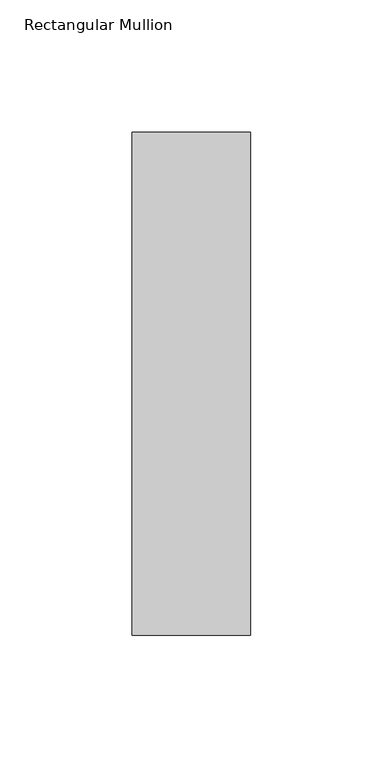
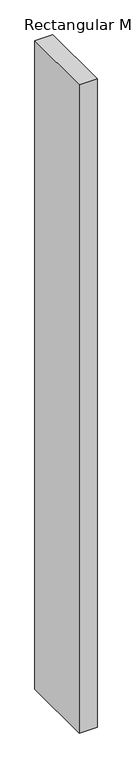
"""IFC4 building model written with IfcOpenShell, lengths in millimetres: member geometry, Rectangular Mullion."""

import ifcopenshell
import ifcopenshell.guid

model = None  # the IFC model being written
_history = None  # IfcOwnerHistory: only IFC2X3 demands one
_inside = {}  # id of a spatial element -> (the spatial element, [elements in it])
_under = {}  # id of a project, library or spatial element -> (it, [spatial elements below it])
_declared = {}  # id of a project -> (the project, [libraries it declares])
_typed = {}  # id of a type object -> (the type object, [elements of that type])
_made_of = {}  # id of a material, layer set ... -> (it, [elements and type objects made of it])


def new_model(schema):
    """Start an empty IFC model of exactly this schema.

    Asked for "IFC4X3", IfcOpenShell would pick the latest addendum, in which some entities
    have other attributes; the version numbers below select the first issue.
    IFC2X3 requires an IfcOwnerHistory on every rooted entity: one is made here for all.
    """
    global model, _history
    if schema == "IFC4X3":
        model = ifcopenshell.file(schema_version=(4, 3, 0, 0))
    else:
        model = ifcopenshell.file(schema=schema)
    _inside.clear()
    _under.clear()
    _declared.clear()
    _typed.clear()
    _made_of.clear()
    _history = None
    if model.schema == "IFC2X3":
        org = make("IfcOrganization", Name="unknown")
        user = make(
            "IfcPersonAndOrganization",
            ThePerson=make("IfcPerson", FamilyName="unknown"),
            TheOrganization=org,
        )
        app = make(
            "IfcApplication",
            ApplicationDeveloper=org,
            Version="unknown",
            ApplicationFullName="unknown",
            ApplicationIdentifier="unknown",
        )
        _history = make(
            "IfcOwnerHistory",
            OwningUser=user,
            OwningApplication=app,
            ChangeAction="ADDED",
            CreationDate=0,
        )
    return model


def make(cls, **values):
    """One entity of the class cls with the attributes given. An attribute that is None is left unset."""
    return model.create_entity(
        cls, **{name: value for name, value in values.items() if value is not None}
    )


def rooted(cls, **values):
    """An entity with a GlobalId (a new one), such as an element, a storey or a relation."""
    return make(cls, GlobalId=ifcopenshell.guid.new(), OwnerHistory=_history, **values)


def si_unit(unit_type, name, prefix=None):
    """IfcSIUnit, for example si_unit("LENGTHUNIT", "METRE", prefix="MILLI")."""
    return make("IfcSIUnit", UnitType=unit_type, Prefix=prefix, Name=name)


def assignment(units):
    """IfcUnitAssignment: the units of a project."""
    return None if units is None else make("IfcUnitAssignment", Units=units)


def point(xyz):
    """IfcCartesianPoint."""
    return None if xyz is None else make("IfcCartesianPoint", Coordinates=xyz)


def direction(xyz):
    """IfcDirection."""
    return None if xyz is None else make("IfcDirection", DirectionRatios=xyz)


def frame(location, z_axis=None, x_axis=None):
    """IfcAxis2Placement3D, a coordinate frame: its origin and axes. An axis left out is left unset."""
    return make(
        "IfcAxis2Placement3D",
        Location=point(location),
        Axis=direction(z_axis),
        RefDirection=direction(x_axis),
    )


def origin():
    """The frame at (0, 0, 0) with its axes left unset."""
    return frame((0.0, 0.0, 0.0))


def place(relative_to, where):
    """IfcLocalPlacement: puts the frame where relative to a parent placement (None: the world)."""
    return make(
        "IfcLocalPlacement", PlacementRelTo=relative_to, RelativePlacement=where
    )


def context(
    kind, dimensions, precision=None, world=None, true_north=None, identifier=None
):
    """IfcGeometricRepresentationContext, for example the 3D "Model" context."""
    return make(
        "IfcGeometricRepresentationContext",
        ContextIdentifier=identifier,
        ContextType=kind,
        CoordinateSpaceDimension=dimensions,
        Precision=precision,
        WorldCoordinateSystem=world,
        TrueNorth=true_north,
    )


def project(units=None, contexts=None):
    """IfcProject with its units and contexts."""
    return rooted(
        "IfcProject",
        Name="project",
        RepresentationContexts=contexts,
        UnitsInContext=assignment(units),
    )


def spatial(cls, under=None, at=None, **own):
    """A site, building, storey or space (cls), placed at a placement, below another one or the project."""
    s = rooted(cls, ObjectPlacement=at, **own)
    if under is not None:
        _under.setdefault(under.id(), (under, []))[1].append(s)
    return s


def polyline(points):
    """IfcPolyline through the points."""
    return make("IfcPolyline", Points=[point(p) for p in points])


def outline(outer, holes=None, kind="AREA"):
    """IfcArbitraryClosedProfileDef: a profile drawn as a closed curve; with holes, ...WithVoids."""
    if holes is None:
        return make("IfcArbitraryClosedProfileDef", ProfileType=kind, OuterCurve=outer)
    return make(
        "IfcArbitraryProfileDefWithVoids",
        ProfileType=kind,
        OuterCurve=outer,
        InnerCurves=holes,
    )


def extrude(swept, where, along, depth):
    """IfcExtrudedAreaSolid: the profile swept, set in the frame where, extruded along a direction by depth."""
    return make(
        "IfcExtrudedAreaSolid",
        SweptArea=swept,
        Position=where,
        ExtrudedDirection=direction(along),
        Depth=depth,
    )


def shape(context_of_items, identifier, shape_type, items):
    """IfcShapeRepresentation: the items that make up one representation, for example the "Body"."""
    return make(
        "IfcShapeRepresentation",
        ContextOfItems=context_of_items,
        RepresentationIdentifier=identifier,
        RepresentationType=shape_type,
        Items=items,
    )


def source(mapping_origin, context_of_items, identifier, shape_type, items):
    """IfcRepresentationMap: a shape defined once, which mapped items show again and again."""
    return make(
        "IfcRepresentationMap",
        MappingOrigin=mapping_origin,
        MappedRepresentation=shape(context_of_items, identifier, shape_type, items),
    )


def transform(
    local_origin,
    x_axis=None,
    y_axis=None,
    z_axis=None,
    scale=None,
    scale2=None,
    scale3=None,
    uniform=True,
):
    """IfcCartesianTransformationOperator3D, or its non-uniform kind. x_axis, y_axis, z_axis: its Axis1, 2, 3."""
    if uniform:
        return make(
            "IfcCartesianTransformationOperator3D",
            Axis1=direction(x_axis),
            Axis2=direction(y_axis),
            LocalOrigin=point(local_origin),
            Scale=scale,
            Axis3=direction(z_axis),
        )
    return make(
        "IfcCartesianTransformationOperator3DnonUniform",
        Axis1=direction(x_axis),
        Axis2=direction(y_axis),
        LocalOrigin=point(local_origin),
        Scale=scale,
        Axis3=direction(z_axis),
        Scale2=scale2,
        Scale3=scale3,
    )


def mapped(mapping_source, mapping_target):
    """IfcMappedItem: shows the shape of a source again, moved by a transform."""
    return make(
        "IfcMappedItem", MappingSource=mapping_source, MappingTarget=mapping_target
    )


def made_of(thing, what):
    """Note that an element or type object is made of a material, layer set ...; save() writes the relation."""
    if what is not None:
        _made_of.setdefault(what.id(), (what, []))[1].append(thing)
    return thing


def element(
    cls,
    number,
    at=None,
    inside=None,
    cuts=None,
    type_object=None,
    material=None,
    context=None,
    identifier="Body",
    shape_type=None,
    held_by="IfcProductDefinitionShape",
    body=None,
    shapes=None,
    **own,
):
    """One element of the class cls, such as IfcWall. Its Tag is "e" and its number.

    at: its placement. inside: the storey or other place that contains it. cuts: it is an
    opening in that element (IfcRelVoidsElement). A single representation is given by context,
    identifier, shape_type and body (its items); several are given by shapes. held_by: the class
    of the entity that holds the representations. save() writes the other relations.
    """
    e = rooted(cls, Tag="e%d" % number, ObjectPlacement=at, **own)
    if body is not None:
        shapes = [shape(context, identifier, shape_type, body)]
    if shapes is not None:
        e.Representation = make(held_by, Representations=shapes)
    if inside is not None:
        _inside.setdefault(inside.id(), (inside, []))[1].append(e)
    if cuts is not None:
        rooted(
            "IfcRelVoidsElement", RelatingBuildingElement=cuts, RelatedOpeningElement=e
        )
    if type_object is not None:
        _typed.setdefault(type_object.id(), (type_object, []))[1].append(e)
    return made_of(e, material)


def aggregate(whole, parts):
    """IfcRelAggregates: a whole, such as a stair, and the parts it consists of."""
    return rooted("IfcRelAggregates", RelatingObject=whole, RelatedObjects=parts)


def save(model, path):
    """Write the relations noted so far, then the file.

    IfcRelAggregates (storeys below a building ...), IfcRelContainedInSpatialStructure (elements
    in a storey), IfcRelDefinesByType, IfcRelAssociatesMaterial and IfcRelDeclares: one each for
    every whole, place, type object, material and project.
    """
    for whole, parts in _under.values():
        aggregate(whole, parts)
    for where, things in _inside.values():
        rooted(
            "IfcRelContainedInSpatialStructure",
            RelatedElements=things,
            RelatingStructure=where,
        )
    for kind, things in _typed.values():
        rooted("IfcRelDefinesByType", RelatedObjects=things, RelatingType=kind)
    for what, things in _made_of.values():
        rooted("IfcRelAssociatesMaterial", RelatedObjects=things, RelatingMaterial=what)
    for by, libraries in _declared.values():
        rooted("IfcRelDeclares", RelatingContext=by, RelatedDefinitions=libraries)
    model.write(path)


def rectangular_mullion_e1b20d53(model_context):
    return source(origin(), model_context, "Body", "SweptSolid", [
        extrude(outline(polyline([(22.5, 150.7), (22.5, -39.7), (-22.5, -39.7), (-22.5, 150.7), (22.5, 150.7)])), frame((0.0, 0.0, -1708.8912252), z_axis=(0.0, 0.0, 1.0), x_axis=(1.0, 0.0, 0.0)), (0.0, 0.0, 1.0), 1708.8912252),
    ])


if __name__ == "__main__":
    model = new_model("IFC4")
    model_context = context("Model", 3, world=origin())
    ifc_project = project(units=[si_unit("LENGTHUNIT", "METRE", prefix="MILLI")], contexts=[model_context])
    site = spatial("IfcSite", under=ifc_project)
    building = spatial("IfcBuilding", under=site)
    placement = place(None, origin())
    rectangular_mullion_shape = rectangular_mullion_e1b20d53(model_context)
    element("IfcMember", 1, ObjectType="Rectangular Mullion", at=placement, inside=building, context=model_context, shape_type="MappedRepresentation", body=[
        mapped(rectangular_mullion_shape, transform((0.0, 0.0, 0.0), x_axis=(1.0, 0.0, 0.0), y_axis=(0.0, 1.0, 0.0), z_axis=(0.0, 0.0, 1.0))),
    ])
    save(model, "model.ifc")
